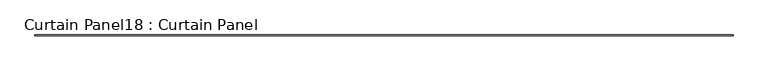
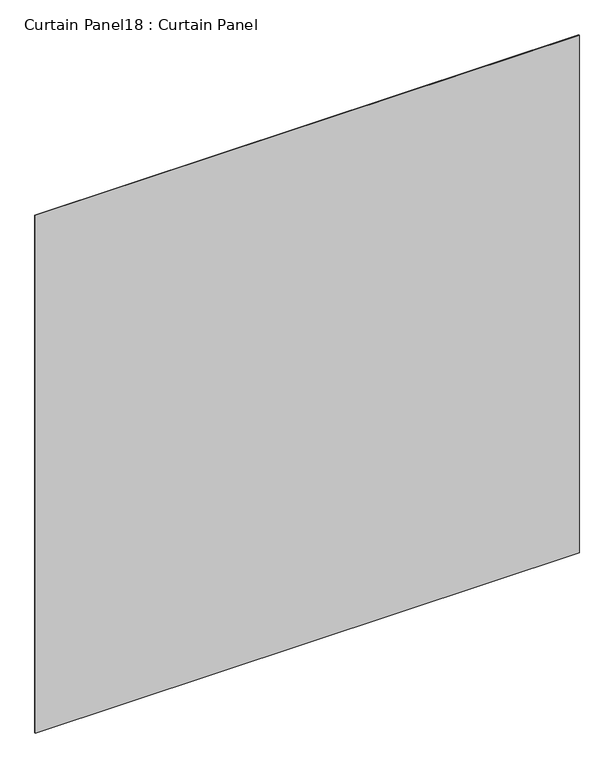
"""IFC4 building model written with IfcOpenShell, lengths in millimetres: plate geometry, Curtain Panel18 : Curtain Panel."""

from ifc_helpers import new_model, si_unit, frame, origin, place, context, project, spatial, polyline, outline, extrude, source, transform, mapped, element, save


def curtain_panel18_curtain_panel_ea00845c(model_context):
    return source(origin(), model_context, "Body", "SweptSolid", [
        extrude(outline(polyline([(567536.9091345, 2919.3589143), (561536.1591345, 2919.3589143), (561536.1591345, 2925.7089143), (567536.9091345, 2925.7089143), (567536.9091345, 2919.3589143)])), frame((0.0, 0.0, 5264.941886), z_axis=(0.0, 0.0, 1.0), x_axis=(1.0, 0.0, 0.0)), (0.0, 0.0, 1.0), 6033.4285369),
    ])


if __name__ == "__main__":
    model = new_model("IFC4")
    model_context = context("Model", 3, world=origin())
    ifc_project = project(units=[si_unit("LENGTHUNIT", "METRE", prefix="MILLI")], contexts=[model_context])
    site = spatial("IfcSite", under=ifc_project)
    building = spatial("IfcBuilding", under=site)
    placement = place(None, origin())
    curtain_panel18_curtain_panel_shape = curtain_panel18_curtain_panel_ea00845c(model_context)
    element("IfcPlate", 1, ObjectType="Curtain Panel18 : Curtain Panel", at=placement, inside=building, context=model_context, shape_type="MappedRepresentation", body=[
        mapped(curtain_panel18_curtain_panel_shape, transform((0.0, 0.0, 0.0), x_axis=(1.0, 0.0, 0.0), y_axis=(0.0, 1.0, 0.0), z_axis=(0.0, 0.0, 1.0))),
    ])
    save(model, "model.ifc")
